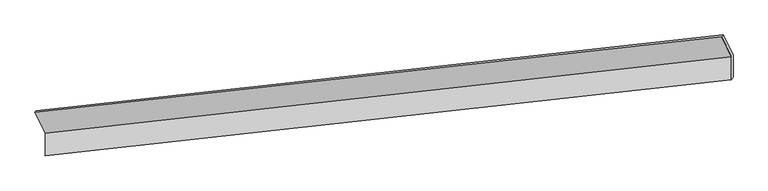
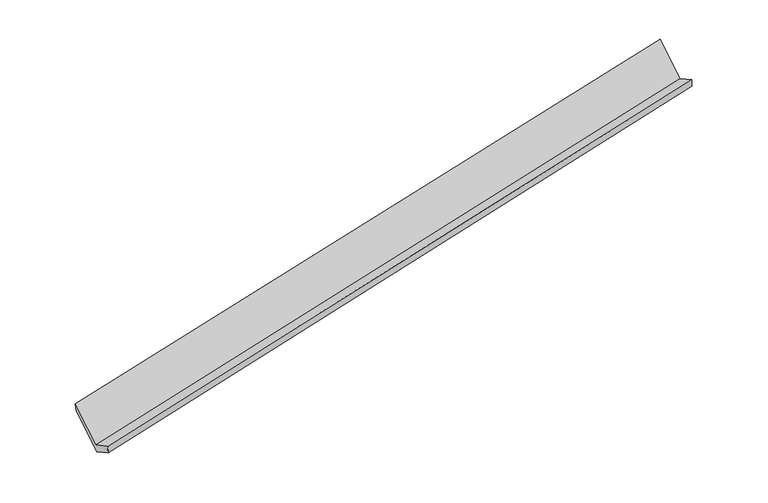
"""IFC4 building model written with IfcOpenShell, lengths in millimetres: proxy geometry."""

import ifcopenshell
import ifcopenshell.guid

model = None  # the IFC model being written
_history = None  # IfcOwnerHistory: only IFC2X3 demands one
_inside = {}  # id of a spatial element -> (the spatial element, [elements in it])
_under = {}  # id of a project, library or spatial element -> (it, [spatial elements below it])
_declared = {}  # id of a project -> (the project, [libraries it declares])
_typed = {}  # id of a type object -> (the type object, [elements of that type])
_made_of = {}  # id of a material, layer set ... -> (it, [elements and type objects made of it])


def new_model(schema):
    """Start an empty IFC model of exactly this schema.

    Asked for "IFC4X3", IfcOpenShell would pick the latest addendum, in which some entities
    have other attributes; the version numbers below select the first issue.
    IFC2X3 requires an IfcOwnerHistory on every rooted entity: one is made here for all.
    """
    global model, _history
    if schema == "IFC4X3":
        model = ifcopenshell.file(schema_version=(4, 3, 0, 0))
    else:
        model = ifcopenshell.file(schema=schema)
    _inside.clear()
    _under.clear()
    _declared.clear()
    _typed.clear()
    _made_of.clear()
    _history = None
    if model.schema == "IFC2X3":
        org = make("IfcOrganization", Name="unknown")
        user = make(
            "IfcPersonAndOrganization",
            ThePerson=make("IfcPerson", FamilyName="unknown"),
            TheOrganization=org,
        )
        app = make(
            "IfcApplication",
            ApplicationDeveloper=org,
            Version="unknown",
            ApplicationFullName="unknown",
            ApplicationIdentifier="unknown",
        )
        _history = make(
            "IfcOwnerHistory",
            OwningUser=user,
            OwningApplication=app,
            ChangeAction="ADDED",
            CreationDate=0,
        )
    return model


def make(cls, **values):
    """One entity of the class cls with the attributes given. An attribute that is None is left unset."""
    return model.create_entity(
        cls, **{name: value for name, value in values.items() if value is not None}
    )


def rooted(cls, **values):
    """An entity with a GlobalId (a new one), such as an element, a storey or a relation."""
    return make(cls, GlobalId=ifcopenshell.guid.new(), OwnerHistory=_history, **values)


def si_unit(unit_type, name, prefix=None):
    """IfcSIUnit, for example si_unit("LENGTHUNIT", "METRE", prefix="MILLI")."""
    return make("IfcSIUnit", UnitType=unit_type, Prefix=prefix, Name=name)


def assignment(units):
    """IfcUnitAssignment: the units of a project."""
    return None if units is None else make("IfcUnitAssignment", Units=units)


def point(xyz):
    """IfcCartesianPoint."""
    return None if xyz is None else make("IfcCartesianPoint", Coordinates=xyz)


def direction(xyz):
    """IfcDirection."""
    return None if xyz is None else make("IfcDirection", DirectionRatios=xyz)


def frame(location, z_axis=None, x_axis=None):
    """IfcAxis2Placement3D, a coordinate frame: its origin and axes. An axis left out is left unset."""
    return make(
        "IfcAxis2Placement3D",
        Location=point(location),
        Axis=direction(z_axis),
        RefDirection=direction(x_axis),
    )


def origin():
    """The frame at (0, 0, 0) with its axes left unset."""
    return frame((0.0, 0.0, 0.0))


def place(relative_to, where):
    """IfcLocalPlacement: puts the frame where relative to a parent placement (None: the world)."""
    return make(
        "IfcLocalPlacement", PlacementRelTo=relative_to, RelativePlacement=where
    )


def context(
    kind, dimensions, precision=None, world=None, true_north=None, identifier=None
):
    """IfcGeometricRepresentationContext, for example the 3D "Model" context."""
    return make(
        "IfcGeometricRepresentationContext",
        ContextIdentifier=identifier,
        ContextType=kind,
        CoordinateSpaceDimension=dimensions,
        Precision=precision,
        WorldCoordinateSystem=world,
        TrueNorth=true_north,
    )


def project(units=None, contexts=None):
    """IfcProject with its units and contexts."""
    return rooted(
        "IfcProject",
        Name="project",
        RepresentationContexts=contexts,
        UnitsInContext=assignment(units),
    )


def spatial(cls, under=None, at=None, **own):
    """A site, building, storey or space (cls), placed at a placement, below another one or the project."""
    s = rooted(cls, ObjectPlacement=at, **own)
    if under is not None:
        _under.setdefault(under.id(), (under, []))[1].append(s)
    return s


def shape(context_of_items, identifier, shape_type, items):
    """IfcShapeRepresentation: the items that make up one representation, for example the "Body"."""
    return make(
        "IfcShapeRepresentation",
        ContextOfItems=context_of_items,
        RepresentationIdentifier=identifier,
        RepresentationType=shape_type,
        Items=items,
    )


def source(mapping_origin, context_of_items, identifier, shape_type, items):
    """IfcRepresentationMap: a shape defined once, which mapped items show again and again."""
    return make(
        "IfcRepresentationMap",
        MappingOrigin=mapping_origin,
        MappedRepresentation=shape(context_of_items, identifier, shape_type, items),
    )


def transform(
    local_origin,
    x_axis=None,
    y_axis=None,
    z_axis=None,
    scale=None,
    scale2=None,
    scale3=None,
    uniform=True,
):
    """IfcCartesianTransformationOperator3D, or its non-uniform kind. x_axis, y_axis, z_axis: its Axis1, 2, 3."""
    if uniform:
        return make(
            "IfcCartesianTransformationOperator3D",
            Axis1=direction(x_axis),
            Axis2=direction(y_axis),
            LocalOrigin=point(local_origin),
            Scale=scale,
            Axis3=direction(z_axis),
        )
    return make(
        "IfcCartesianTransformationOperator3DnonUniform",
        Axis1=direction(x_axis),
        Axis2=direction(y_axis),
        LocalOrigin=point(local_origin),
        Scale=scale,
        Axis3=direction(z_axis),
        Scale2=scale2,
        Scale3=scale3,
    )


def mapped(mapping_source, mapping_target):
    """IfcMappedItem: shows the shape of a source again, moved by a transform."""
    return make(
        "IfcMappedItem", MappingSource=mapping_source, MappingTarget=mapping_target
    )


def made_of(thing, what):
    """Note that an element or type object is made of a material, layer set ...; save() writes the relation."""
    if what is not None:
        _made_of.setdefault(what.id(), (what, []))[1].append(thing)
    return thing


def element(
    cls,
    number,
    at=None,
    inside=None,
    cuts=None,
    type_object=None,
    material=None,
    context=None,
    identifier="Body",
    shape_type=None,
    held_by="IfcProductDefinitionShape",
    body=None,
    shapes=None,
    **own,
):
    """One element of the class cls, such as IfcWall. Its Tag is "e" and its number.

    at: its placement. inside: the storey or other place that contains it. cuts: it is an
    opening in that element (IfcRelVoidsElement). A single representation is given by context,
    identifier, shape_type and body (its items); several are given by shapes. held_by: the class
    of the entity that holds the representations. save() writes the other relations.
    """
    e = rooted(cls, Tag="e%d" % number, ObjectPlacement=at, **own)
    if body is not None:
        shapes = [shape(context, identifier, shape_type, body)]
    if shapes is not None:
        e.Representation = make(held_by, Representations=shapes)
    if inside is not None:
        _inside.setdefault(inside.id(), (inside, []))[1].append(e)
    if cuts is not None:
        rooted(
            "IfcRelVoidsElement", RelatingBuildingElement=cuts, RelatedOpeningElement=e
        )
    if type_object is not None:
        _typed.setdefault(type_object.id(), (type_object, []))[1].append(e)
    return made_of(e, material)


def aggregate(whole, parts):
    """IfcRelAggregates: a whole, such as a stair, and the parts it consists of."""
    return rooted("IfcRelAggregates", RelatingObject=whole, RelatedObjects=parts)


def save(model, path):
    """Write the relations noted so far, then the file.

    IfcRelAggregates (storeys below a building ...), IfcRelContainedInSpatialStructure (elements
    in a storey), IfcRelDefinesByType, IfcRelAssociatesMaterial and IfcRelDeclares: one each for
    every whole, place, type object, material and project.
    """
    for whole, parts in _under.values():
        aggregate(whole, parts)
    for where, things in _inside.values():
        rooted(
            "IfcRelContainedInSpatialStructure",
            RelatedElements=things,
            RelatingStructure=where,
        )
    for kind, things in _typed.values():
        rooted("IfcRelDefinesByType", RelatedObjects=things, RelatingType=kind)
    for what, things in _made_of.values():
        rooted("IfcRelAssociatesMaterial", RelatedObjects=things, RelatingMaterial=what)
    for by, libraries in _declared.values():
        rooted("IfcRelDeclares", RelatingContext=by, RelatedDefinitions=libraries)
    model.write(path)


def plane_surface(at):
    """IfcPlane: the flat surface through the origin of the frame at, square to its z axis."""
    return make("IfcPlane", Position=at)


def spline_surface(u_degree, v_degree, points, u_multiplicities, v_multiplicities, u_knots, v_knots, weights=None):
    """IfcBSplineSurfaceWithKnots; with weights, IfcRationalBSplineSurfaceWithKnots. points: one row for each step in u."""
    own = dict(
        UDegree=u_degree,
        VDegree=v_degree,
        ControlPointsList=[[point(p) for p in row] for row in points],
        SurfaceForm="UNSPECIFIED",
        UClosed=False,
        VClosed=False,
        SelfIntersect=False,
        UMultiplicities=u_multiplicities,
        VMultiplicities=v_multiplicities,
        UKnots=u_knots,
        VKnots=v_knots,
        KnotSpec="UNSPECIFIED",
    )
    if weights is None:
        return make("IfcBSplineSurfaceWithKnots", **own)
    return make("IfcRationalBSplineSurfaceWithKnots", WeightsData=weights, **own)


def advanced_brep(points, edges, surfaces, faces):
    """IfcAdvancedBrep: a solid bounded by faces that lie on surfaces and meet in shared edges.

    An edge is (start, end): straight between two places in points (the first is 0);
    or (start, end, curve); or (start, end, curve, False) where it runs against its curve.
    A face is (place in surfaces, loops), or (place, loops, False) where it looks against
    its surface's normal. A loop lists edges by number (the first is 1), with a minus sign
    where the edge is run from its end to its start. The first loop is the outer one.
    """
    corners = [point(p) for p in points]
    vertices = [make("IfcVertexPoint", VertexGeometry=c) for c in corners]
    made = []
    for start, end, *more in edges:
        made.append(
            make(
                "IfcEdgeCurve",
                EdgeStart=vertices[start],
                EdgeEnd=vertices[end],
                EdgeGeometry=more[0] if more else make("IfcPolyline", Points=[corners[start], corners[end]]),
                SameSense=more[1] if len(more) > 1 else True,
            )
        )
    hull = []
    for where, loops, *sense in faces:
        bounds = []
        for j, loop in enumerate(loops):
            ring = [make("IfcOrientedEdge", EdgeElement=made[abs(k) - 1], Orientation=k > 0) for k in loop]
            bounds.append(
                make(
                    "IfcFaceOuterBound" if j == 0 else "IfcFaceBound",
                    Bound=make("IfcEdgeLoop", EdgeList=ring),
                    Orientation=True,
                )
            )
        hull.append(make("IfcAdvancedFace", Bounds=bounds, FaceSurface=surfaces[where], SameSense=sense[0] if sense else True))
    return make("IfcAdvancedBrep", Outer=make("IfcClosedShell", CfsFaces=hull))


def generic_models_b19394e1(model_context):
    return source(origin(), model_context, "Body", "AdvancedBrep", [
        advanced_brep(
        [(-8746.3181797, -2166.1361202, 511.6124787), (-8746.3419029, -2558.916256, 725.3876987), (3109.9365543, -1245.1970634, 3140.4668242), (3109.9602775, -852.4169276, 2926.6916042), (-8715.1025863, -2524.0061208, 553.2994026), (3137.7819895, -1203.3020576, 2981.2118112), (-8715.0794558, -2141.0376722, 344.864309), (3137.8051201, -820.333609, 2772.7767176), (-8891.3294443, -1778.3015544, 1011.3183555), (2968.3428943, -471.5672323, 3413.5641981), (-8922.4763245, -1803.5890241, 1177.7192361), (2940.5898955, -503.8395726, 3567.1317957)],
        [
            (0, 1),
            (1, 2),
            (2, 3),
            (3, 0),
            (1, 4),
            (4, 5),
            (5, 2),
            (4, 6),
            (6, 7),
            (7, 5),
            (6, 8),
            (8, 9),
            (9, 7),
            (8, 10),
            (10, 11),
            (11, 9),
            (10, 0),
            (3, 11),
        ],
        [
            plane_surface(frame((-8746.3300413, -2362.5261881, 618.5000887), z_axis=(-0.22588925625831002, 0.46569901515976303, 0.8556275306383583), x_axis=(-5.304979552994763e-05, -0.8783356091730473, 0.47804451136304377))),
            spline_surface(1, 1, [[(-8746.3419029, -2558.916256, 725.3876987), (3109.9365543, -1245.1970634, 3140.4668242)], [(-8715.1025863, -2524.0061208, 553.2994026), (3137.7819895, -1203.3020576, 2981.2118112)]], [2, 2], [2, 2], [0.0, 1.0], [0.0, 1.0]),
            plane_surface(frame((-8715.091021, -2332.5218965, 449.0818558), z_axis=(0.22708968111959857, -0.46556563098405274, -0.8553823238619208), x_axis=(5.304979550823725e-05, 0.8783356091729932, -0.47804451136314285))),
            plane_surface(frame((-8803.20445, -1959.6696133, 678.0913323), z_axis=(5.304979557842204e-05, 0.8783356091730108, -0.47804451136311094), x_axis=(-0.22625875883744503, 0.46565803761265817, 0.8555521994922737))),
            spline_surface(1, 1, [[(-8891.3294443, -1778.3015544, 1011.3183555), (2968.3428943, -471.5672323, 3413.5641981)], [(-8922.4763245, -1803.5890241, 1177.7192361), (2940.5898955, -503.8395726, 3567.1317957)]], [2, 2], [2, 2], [0.0, 1.0], [0.0, 1.0]),
            plane_surface(frame((-8834.3972521, -1984.8625722, 844.6658574), z_axis=(-5.304979556107481e-05, -0.8783356091730488, 0.47804451136304116), x_axis=(0.2262587588374299, -0.46565803761258845, -0.8555521994923156))),
            plane_surface(frame((3067.4027886, -849.4427438, 3133.6404918), z_axis=(0.9740672313732072, 0.108116370940941, 0.19875582783781687), x_axis=(-0.17415583574307686, -0.2025156433207875, 0.963668594013003))),
            plane_surface(frame((-8789.4413156, -2161.9977913, 720.7002468), z_axis=(-0.9740672313732076, -0.1081163709409248, -0.1987558278378239), x_axis=(-0.2262587588374283, 0.4656580376125908, 0.8555521994923149))),
        ],
        [
            (0, [[1, 2, 3, 4]]),
            (1, [[5, 6, 7, -2]]),
            (2, [[8, 9, 10, -6]]),
            (3, [[11, 12, 13, -9]]),
            (4, [[14, 15, 16, -12]]),
            (5, [[17, -4, 18, -15]]),
            (6, [[-16, -18, -3, -7, -10, -13]]),
            (7, [[-17, -14, -11, -8, -5, -1]]),
        ],
    ),
    ])


if __name__ == "__main__":
    model = new_model("IFC4")
    model_context = context("Model", 3, world=origin())
    ifc_project = project(units=[si_unit("LENGTHUNIT", "METRE", prefix="MILLI")], contexts=[model_context])
    site = spatial("IfcSite", under=ifc_project)
    building = spatial("IfcBuilding", under=site)
    placement = place(None, origin())
    generic_models_shape = generic_models_b19394e1(model_context)
    element("IfcBuildingElementProxy", 1, Name="Generic Models", at=placement, inside=building, context=model_context, shape_type="MappedRepresentation", body=[
        mapped(generic_models_shape, transform((0.0, 0.0, 0.0), x_axis=(1.0, 0.0, 0.0), y_axis=(0.0, 1.0, 0.0), z_axis=(0.0, 0.0, 1.0))),
    ])
    save(model, "model.ifc")
